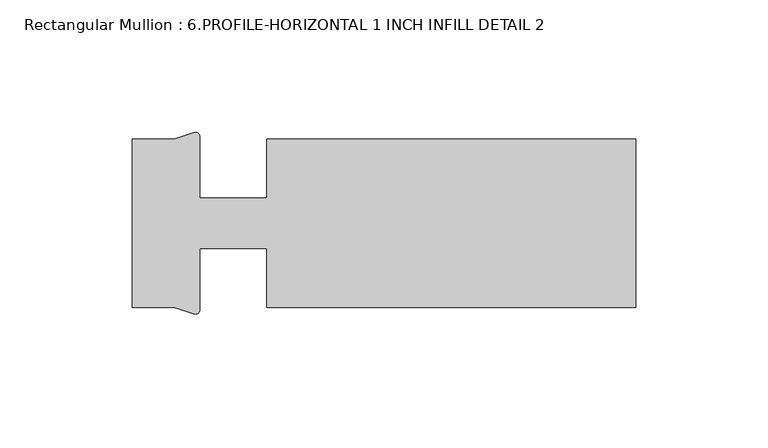
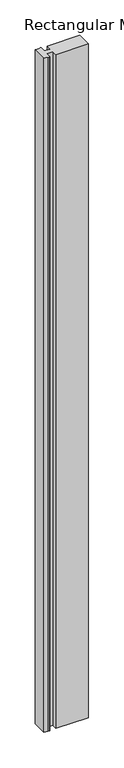
"""IFC4 building model written with IfcOpenShell, lengths in millimetres: member geometry, Rectangular Mullion : 6.PROFILE-HORIZONTAL 1 INCH INFILL DETAIL 2."""

from ifc_helpers import new_model, si_unit, point, frame, frame_2d, origin, place, context, project, spatial, polyline, circle_curve, trimmed, segment, composite_curve, outline, extrude, source, transform, mapped, element, save


def rectangular_mullion_6_profile_horizontal_1_inch_infill_ab130702(model_context):
    return source(origin(), model_context, "Body", "SweptSolid", [
        extrude(outline(composite_curve([segment(polyline([(-139.192, -27.4840248), (-139.192, -5.259138), (-164.592, -5.259138), (-164.592, -28.5168911)]), True, "CONTINUOUS"), segment(trimmed(circle_curve(frame_2d((-166.293412, -28.4352621)), 1.703369), [point((-164.592, -28.5168911))], [point((-166.1804292, -30.13488))], False, "CARTESIAN"), True, "CONTINUOUS"), segment(polyline([(-166.1804292, -30.13488), (-174.1170977, -27.4840248), (-189.992, -27.4840248), (-189.992, 36.0159752), (-174.1170977, 36.0159752), (-166.1804292, 38.6668304)]), True, "CONTINUOUS"), segment(trimmed(circle_curve(frame_2d((-166.293412, 36.9672125)), 1.703369), [point((-166.1804292, 38.6668304))], [point((-164.592, 37.0488415))], False, "CARTESIAN"), True, "CONTINUOUS"), segment(polyline([(-164.592, 37.0488415), (-164.592, 13.7910884), (-139.192, 13.7910884), (-139.192, 36.0159752), (0.0, 36.0159752), (0.0, -27.4840248), (-139.192, -27.4840248)]), True, "CONTINUOUS")], self_intersect=False)), frame((0.0, 0.0, -3048.0), z_axis=(0.0, 0.0, 1.0), x_axis=(1.0, 0.0, 0.0)), (0.0, 0.0, 1.0), 3048.0),
    ])


if __name__ == "__main__":
    model = new_model("IFC4")
    model_context = context("Model", 3, world=origin())
    ifc_project = project(units=[si_unit("LENGTHUNIT", "METRE", prefix="MILLI")], contexts=[model_context])
    site = spatial("IfcSite", under=ifc_project)
    building = spatial("IfcBuilding", under=site)
    placement = place(None, origin())
    rectangular_mullion_6_profile_horizontal_1_inch_infill_shape = rectangular_mullion_6_profile_horizontal_1_inch_infill_ab130702(model_context)
    element("IfcMember", 1, ObjectType="Rectangular Mullion : 6.PROFILE-HORIZONTAL 1 INCH INFILL DETAIL 2", at=placement, inside=building, context=model_context, shape_type="MappedRepresentation", body=[
        mapped(rectangular_mullion_6_profile_horizontal_1_inch_infill_shape, transform((0.0, 0.0, 0.0), x_axis=(1.0, 0.0, 0.0), y_axis=(0.0, 1.0, 0.0), z_axis=(0.0, 0.0, 1.0))),
    ])
    save(model, "model.ifc")
